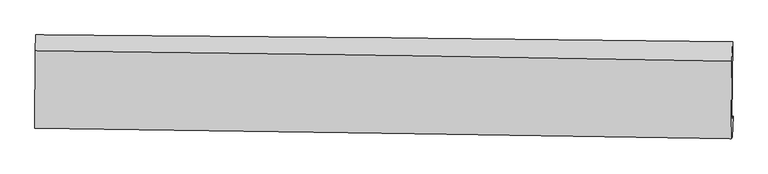
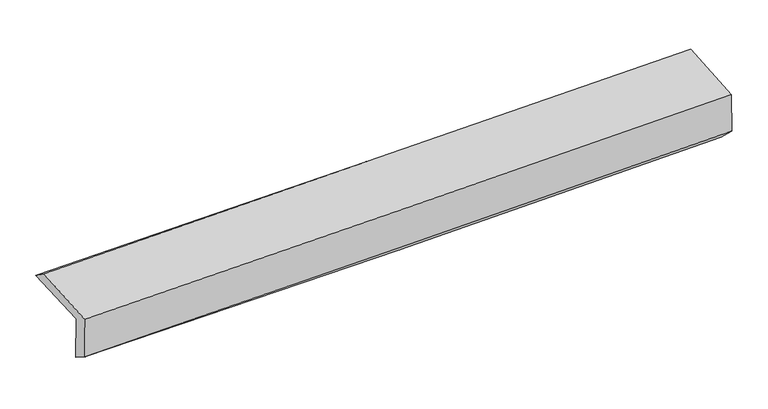
"""IFC4 building model written with IfcOpenShell, lengths in millimetres: proxy geometry."""

from ifc_helpers import new_model, si_unit, frame, origin, place, context, project, spatial, source, transform, mapped, element, save
from ifc_brep_helpers import plane_surface, spline_curve, spline_surface, advanced_brep


def generic_models_126e4eb3(model_context):
    return source(origin(), model_context, "Body", "AdvancedBrep", [
        advanced_brep(
        [(-3030.1266712, -1769.2762206, 1968.643853), (-3024.8839234, -1104.1205822, 1998.4005741), (3016.1266087, -1164.6927919, 2106.586547), (3008.3749464, -1832.7152659, 2095.9561862), (-3019.0688074, -1747.431233, 1568.0261996), (3019.560643, -1811.007944, 1691.0436365), (-3023.220896, -1902.1721184, 1669.2866803), (3012.7858529, -1992.5998924, 1861.1576019), (-3033.8040005, -1915.525413, 2055.2386209), (3002.5544182, -2005.5211374, 2234.6194051), (-3028.9103308, -1243.0139627, 2100.3415581), (3009.421732, -1333.676616, 2279.7325157)],
        [
            (0, 1),
            (1, 2, spline_curve(3, [(-3024.8839234, -1104.1205822, 1998.4005741), (-2017.657217189, -1111.7127042, 2007.76392704), (-1010.552538572, -1120.557372747, 2021.463058483), (1003.117566958, -1140.74884386, 2057.527591193), (2009.683065832, -1152.094911731, 2079.890450916), (3016.1266087, -1164.6927919, 2106.586547)], [4, 2, 4], [0.0, 9.911771592659601, 19.82063755489185])),
            (2, 3),
            (3, 0, spline_curve(3, [(3008.3749464, -1832.7152659, 2095.9561862), (2002.435124697, -1826.711778967, 2059.33182887), (996.33053825, -1818.424558186, 2030.410714839), (-1016.503237461, -1797.279549235, 1987.96875193), (-2023.232523758, -1784.420421703, 1974.452421745), (-3030.1266712, -1769.2762206, 1968.643853)], [4, 2, 4], [0.0, 9.908865962232248, 19.82063755489185])),
            (4, 0),
            (3, 5),
            (5, 4, spline_curve(3, [(3019.560643, -1811.007944, 1691.0436365), (2013.561598586, -1804.935673585, 1656.566749188), (1007.416747113, -1796.602587637, 1629.077330948), (-1005.459650972, -1775.411676456, 1588.067420154), (-2012.191282659, -1762.552525983, 1574.551026277), (-3019.0688074, -1747.431233, 1568.0261996)], [4, 2, 4], [0.0, 9.907294157354231, 19.81749348422696])),
            (6, 4),
            (5, 7),
            (7, 6, spline_curve(3, [(3012.7858529, -1992.5998924, 1861.1576019), (2007.033031897, -1974.253501743, 1825.555209643), (1001.229804337, -1957.545523048, 1791.766848095), (-1010.772415645, -1927.401970422, 1727.808810099), (-2016.971437731, -1913.967357941, 1697.640197887), (-3023.220896, -1902.1721184, 1669.2866803)], [4, 2, 4], [0.0, 9.906551763462073, 19.81600847874646])),
            (8, 6),
            (7, 9),
            (9, 8, spline_curve(3, [(3002.5544182, -2005.5211374, 2234.6194051), (1996.765955641, -1987.217958649, 2200.266430256), (990.915607454, -1970.567583028, 2168.143408491), (-1021.203829346, -1940.568038553, 2108.348506003), (-2027.472953961, -1927.219839628, 2080.677932733), (-3033.8040005, -1915.525413, 2055.2386209)], [4, 2, 4], [0.0, 9.906247294340071, 19.815399451221328])),
            (10, 8),
            (9, 11),
            (11, 10, spline_curve(3, [(3009.421732, -1333.676616, 2279.7325157), (2003.35658539, -1311.956683438, 2245.600311019), (997.203452843, -1293.542118899, 2213.586842877), (-1015.573849976, -1263.31929555, 2153.788614529), (-2022.198071454, -1251.512975777, 2126.005096378), (-3028.9103308, -1243.0139627, 2100.3415581)], [4, 2, 4], [0.0, 9.90787030930294, 19.818645957072533])),
            (1, 10),
            (11, 2),
        ],
        [
            spline_surface(3, 3, [[(-3030.1266712, -1769.2762206, 1968.643853), (-2023.232523738, -1784.420421568, 1974.452421595), (-1016.503237554, -1797.279549263, 1987.968751981), (996.330538342, -1818.424558158, 2030.410714788), (2002.435124678, -1826.711778894, 2059.331828767), (3008.3749464, -1832.7152659, 2095.9561862)], [(-3028.379088583, -1547.557674445, 1978.562760035), (-2021.374088258, -1560.184515764, 1985.556256789), (-1014.519671263, -1571.705490481, 1999.133520833), (998.59288128, -1592.532653358, 2039.44967359), (2004.851105082, -1601.839489787, 2066.184702761), (3010.958833848, -1610.041107892, 2099.499639786)], [(-3026.631506017, -1325.839128355, 1988.481667065), (-2019.515652829, -1335.948610023, 1996.660091977), (-1012.536105016, -1346.131431666, 2010.298289657), (1000.855224174, -1366.640748524, 2048.488632365), (2007.267085443, -1376.967200703, 2073.037576799), (3013.542721252, -1387.366949908, 2103.043093414)], [(-3024.8839234, -1104.1205822, 1998.4005741), (-2017.657217348, -1111.712704219, 2007.763927171), (-1010.552538725, -1120.557372883, 2021.463058509), (1003.117567111, -1140.748843724, 2057.527591167), (2009.683065847, -1152.094911596, 2079.890450793), (3016.1266087, -1164.6927919, 2106.586547)]], [4, 4], [4, 2, 4], [0.0, 2.224102800716668], [0.0, 9.911771592659601, 19.82063755489185]),
            spline_surface(3, 3, [[(-3019.0688074, -1747.431233, 1568.0261996), (-2012.191282696, -1762.552525831, 1574.551026159), (-1005.459650911, -1775.411676593, 1588.067420133), (1007.416747052, -1796.602587499, 1629.07733097), (2013.561598693, -1804.93567373, 1656.566749317), (3019.560643, -1811.007944, 1691.0436365)], [(-3022.754761991, -1754.712895532, 1701.565417376), (-2015.871696368, -1769.841824408, 1707.85149128), (-1009.140846482, -1782.700967465, 1721.367864085), (1003.721344125, -1803.876577701, 1762.855125578), (2009.852774017, -1812.194375448, 1790.821775804), (3015.832077462, -1818.243717963, 1826.014486403)], [(-3026.440716609, -1761.994558068, 1835.104635224), (-2019.552110066, -1777.131122991, 1841.151956474), (-1012.822041982, -1789.990258391, 1854.668308029), (1000.025941269, -1811.150567957, 1896.632920179), (2006.143949354, -1819.453077177, 1925.07680228), (3012.103511938, -1825.479491937, 1960.985336297)], [(-3030.1266712, -1769.2762206, 1968.643853), (-2023.232523738, -1784.420421568, 1974.452421595), (-1016.503237554, -1797.279549263, 1987.968751981), (996.330538342, -1818.424558158, 2030.410714788), (2002.435124678, -1826.711778894, 2059.331828767), (3008.3749464, -1832.7152659, 2095.9561862)]], [4, 4], [4, 2, 4], [0.0, 1.3168137679389402], [0.0, 9.91019932687273, 19.81749348422696]),
            spline_surface(3, 3, [[(-3023.220896, -1902.1721184, 1669.2866803), (-2016.971437733, -1913.967357935, 1697.640197896), (-1010.772415694, -1927.401970548, 1727.808810154), (1001.229804386, -1957.545522921, 1791.76684804), (2007.033031954, -1974.253501606, 1825.555209675), (3012.7858529, -1992.5998924, 1861.1576019)], [(-3021.836866464, -1850.591823284, 1635.533186742), (-2015.378052718, -1863.495747251, 1656.610473992), (-1009.001494104, -1876.738539256, 1681.228346814), (1003.292118603, -1903.897877806, 1737.537009017), (2009.209220877, -1917.81422565, 1769.2257229), (3015.044116276, -1932.069242936, 1804.452946778)], [(-3020.452836936, -1799.011528116, 1601.779693158), (-2013.784667711, -1813.024136515, 1615.580750063), (-1007.230572501, -1826.075107886, 1634.647883472), (1005.354432834, -1850.250232614, 1683.307169992), (2011.385409771, -1861.374949686, 1712.896236091), (3017.302379624, -1871.538593464, 1747.748291622)], [(-3019.0688074, -1747.431233, 1568.0261996), (-2012.191282696, -1762.552525831, 1574.551026159), (-1005.459650911, -1775.411676593, 1588.067420133), (1007.416747052, -1796.602587499, 1629.07733097), (2013.561598693, -1804.93567373, 1656.566749317), (3019.560643, -1811.007944, 1691.0436365)]], [4, 4], [4, 2, 4], [0.0, 0.7141352741754649], [0.0, 9.909456715284389, 19.81600847874646]),
            spline_surface(3, 3, [[(-3033.8040005, -1915.525413, 2055.2386209), (-2027.472953982, -1927.219839741, 2080.677932829), (-1021.203829237, -1940.568038656, 2108.348505891), (990.915607346, -1970.567582925, 2168.143408603), (1996.765955537, -1987.217958798, 2200.266430305), (3002.5544182, -2005.5211374, 2234.6194051)], [(-3030.276299025, -1911.074314798, 1926.587974029), (-2023.97244859, -1922.802345804, 1952.998687847), (-1017.726691361, -1936.179349285, 1981.501940642), (994.353673054, -1966.226896255, 2042.684555079), (2000.188314349, -1982.896473077, 2075.362690092), (3005.964896439, -2001.214055743, 2110.132137364)], [(-3026.748597475, -1906.623216602, 1797.937327171), (-2020.471943125, -1918.384851872, 1825.319442878), (-1014.24955357, -1931.790659919, 1854.655375403), (997.791738678, -1961.88620959, 1917.225701564), (2003.610673142, -1978.574987327, 1950.458949888), (3009.375374661, -1996.906974057, 1985.644869636)], [(-3023.220896, -1902.1721184, 1669.2866803), (-2016.971437733, -1913.967357935, 1697.640197896), (-1010.772415694, -1927.401970548, 1727.808810154), (1001.229804386, -1957.545522921, 1791.76684804), (2007.033031954, -1974.253501606, 1825.555209675), (3012.7858529, -1992.5998924, 1861.1576019)]], [4, 4], [4, 2, 4], [0.0, 1.2428714767743627], [0.0, 9.909152156881257, 19.815399451221328]),
            spline_surface(3, 3, [[(-3028.9103308, -1243.0139627, 2100.3415581), (-2022.198071599, -1251.512975695, 2126.005096513), (-1015.573849893, -1263.319295616, 2153.788614385), (997.20345276, -1293.542118833, 2213.586843021), (2003.35658533, -1311.95668335, 2245.600310997), (3009.421732, -1333.676616, 2279.7325157)], [(-3030.541554039, -1467.184446129, 2085.307245711), (-2023.956365733, -1476.748597039, 2110.896041963), (-1017.450509682, -1489.068876611, 2138.641911553), (995.107504281, -1519.217273513, 2198.439031548), (2001.159708714, -1537.04377517, 2230.48901742), (3007.132627381, -1557.624789804, 2264.694812154)], [(-3032.172777261, -1691.354929571, 2070.272933289), (-2025.714659848, -1701.984218397, 2095.78698738), (-1019.327169448, -1714.81845766, 2123.495208722), (993.011555825, -1744.892428245, 2183.291220076), (1998.962832153, -1762.130866978, 2215.377723882), (3004.843522819, -1781.572963596, 2249.657108646)], [(-3033.8040005, -1915.525413, 2055.2386209), (-2027.472953982, -1927.219839741, 2080.677932829), (-1021.203829237, -1940.568038656, 2108.348505891), (990.915607346, -1970.567582925, 2168.143408603), (1996.765955537, -1987.217958798, 2200.266430305), (3002.5544182, -2005.5211374, 2234.6194051)]], [4, 4], [4, 2, 4], [0.0, 2.2266612569007256], [0.0, 9.910775647769594, 19.818645957072533]),
            spline_surface(3, 3, [[(-3024.8839234, -1104.1205822, 1998.4005741), (-2017.657217348, -1111.712704219, 2007.763927171), (-1010.552538725, -1120.557372883, 2021.463058509), (1003.117567111, -1140.748843724, 2057.527591167), (2009.683065847, -1152.094911596, 2079.890450793), (3016.1266087, -1164.6927919, 2106.586547)], [(-3026.226059198, -1150.418375712, 2032.380902108), (-2019.17083543, -1158.312794723, 2047.177650293), (-1012.226309121, -1168.144680461, 2065.571577125), (1001.146195655, -1191.679935427, 2109.547341775), (2007.574239001, -1205.382168842, 2135.127070877), (3013.891649793, -1221.020733262, 2164.301869916)], [(-3027.568195002, -1196.716169188, 2066.361230092), (-2020.684453518, -1204.912885191, 2086.591373392), (-1013.900079497, -1215.731988038, 2109.680095769), (999.174824217, -1242.61102713, 2161.567092412), (2005.465412176, -1258.669426104, 2190.363690914), (3011.656690907, -1277.348674638, 2222.017192784)], [(-3028.9103308, -1243.0139627, 2100.3415581), (-2022.198071599, -1251.512975695, 2126.005096513), (-1015.573849893, -1263.319295616, 2153.788614385), (997.20345276, -1293.542118833, 2213.586843021), (2003.35658533, -1311.95668335, 2245.600310997), (3009.421732, -1333.676616, 2279.7325157)]], [4, 4], [4, 2, 4], [0.0, 0.6776195326312233], [0.0, 9.912723920512526, 19.82254193142331]),
            plane_surface(frame((3011.4707002, -1690.035608, 2044.8493154), z_axis=(0.9995639294331574, -0.01202798267141086, 0.026968103548491534), x_axis=(0.027369561553841813, 0.03456492850893094, -0.999027613641146))),
            plane_surface(frame((-3026.6691049, -1613.5899217, 1893.3229143), z_axis=(-0.9995915233782643, 0.009090904250392325, -0.02709505213560517), x_axis=(-0.007873867042575254, -0.9989698548642546, -0.044690393713704694))),
        ],
        [
            (0, [[1, 2, 3, 4]]),
            (1, [[5, -4, 6, 7]]),
            (2, [[8, -7, 9, 10]]),
            (3, [[11, -10, 12, 13]]),
            (4, [[14, -13, 15, 16]]),
            (5, [[17, -16, 18, -2]]),
            (6, [[-12, -9, -6, -3, -18, -15]]),
            (7, [[-1, -5, -8, -11, -14, -17]]),
        ],
    ),
    ])


if __name__ == "__main__":
    model = new_model("IFC4")
    model_context = context("Model", 3, world=origin())
    ifc_project = project(units=[si_unit("LENGTHUNIT", "METRE", prefix="MILLI")], contexts=[model_context])
    site = spatial("IfcSite", under=ifc_project)
    building = spatial("IfcBuilding", under=site)
    placement = place(None, origin())
    generic_models_shape = generic_models_126e4eb3(model_context)
    element("IfcBuildingElementProxy", 1, Name="Generic Models", at=placement, inside=building, context=model_context, shape_type="MappedRepresentation", body=[
        mapped(generic_models_shape, transform((0.0, 0.0, 0.0), x_axis=(1.0, 0.0, 0.0), y_axis=(0.0, 1.0, 0.0), z_axis=(0.0, 0.0, 1.0))),
    ])
    save(model, "model.ifc")
